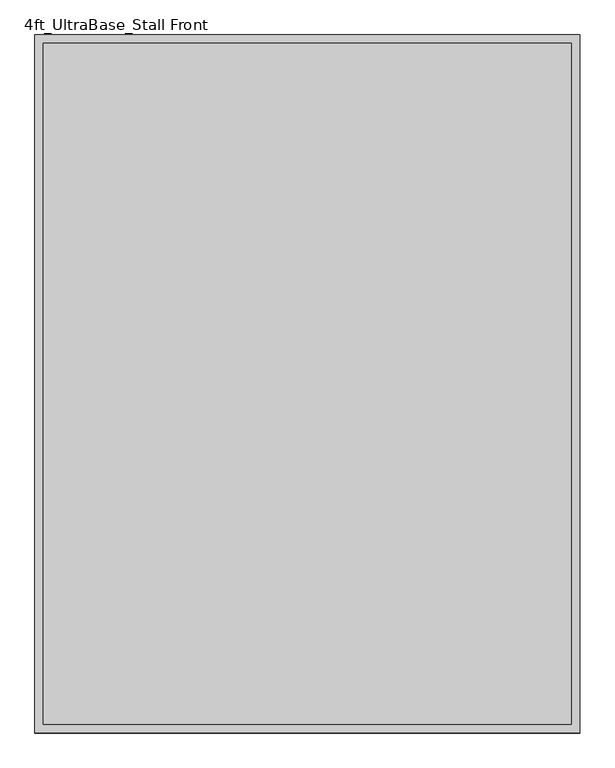
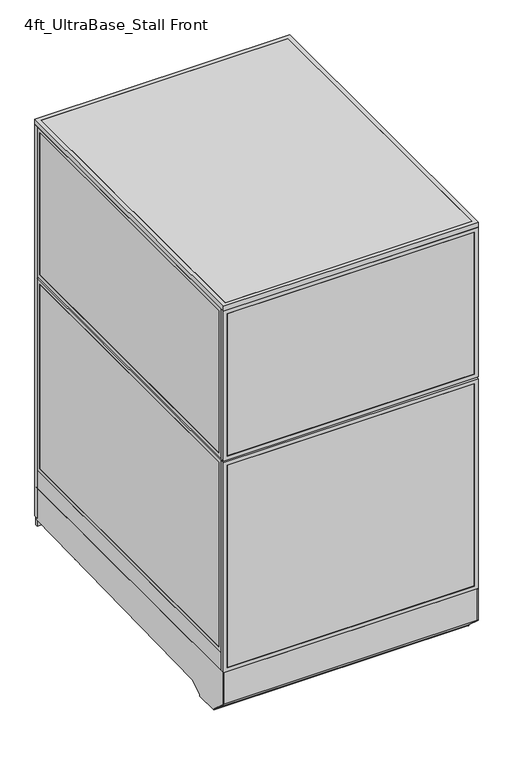
"""IFC4 building model written with IfcOpenShell, lengths in millimetres: proxy geometry, 4ft_UltraBase_Stall Front."""

import ifcopenshell
import ifcopenshell.guid

model = None  # the IFC model being written
_history = None  # IfcOwnerHistory: only IFC2X3 demands one
_inside = {}  # id of a spatial element -> (the spatial element, [elements in it])
_under = {}  # id of a project, library or spatial element -> (it, [spatial elements below it])
_declared = {}  # id of a project -> (the project, [libraries it declares])
_typed = {}  # id of a type object -> (the type object, [elements of that type])
_made_of = {}  # id of a material, layer set ... -> (it, [elements and type objects made of it])


def new_model(schema):
    """Start an empty IFC model of exactly this schema.

    Asked for "IFC4X3", IfcOpenShell would pick the latest addendum, in which some entities
    have other attributes; the version numbers below select the first issue.
    IFC2X3 requires an IfcOwnerHistory on every rooted entity: one is made here for all.
    """
    global model, _history
    if schema == "IFC4X3":
        model = ifcopenshell.file(schema_version=(4, 3, 0, 0))
    else:
        model = ifcopenshell.file(schema=schema)
    _inside.clear()
    _under.clear()
    _declared.clear()
    _typed.clear()
    _made_of.clear()
    _history = None
    if model.schema == "IFC2X3":
        org = make("IfcOrganization", Name="unknown")
        user = make(
            "IfcPersonAndOrganization",
            ThePerson=make("IfcPerson", FamilyName="unknown"),
            TheOrganization=org,
        )
        app = make(
            "IfcApplication",
            ApplicationDeveloper=org,
            Version="unknown",
            ApplicationFullName="unknown",
            ApplicationIdentifier="unknown",
        )
        _history = make(
            "IfcOwnerHistory",
            OwningUser=user,
            OwningApplication=app,
            ChangeAction="ADDED",
            CreationDate=0,
        )
    return model


def make(cls, **values):
    """One entity of the class cls with the attributes given. An attribute that is None is left unset."""
    return model.create_entity(
        cls, **{name: value for name, value in values.items() if value is not None}
    )


def rooted(cls, **values):
    """An entity with a GlobalId (a new one), such as an element, a storey or a relation."""
    return make(cls, GlobalId=ifcopenshell.guid.new(), OwnerHistory=_history, **values)


def si_unit(unit_type, name, prefix=None):
    """IfcSIUnit, for example si_unit("LENGTHUNIT", "METRE", prefix="MILLI")."""
    return make("IfcSIUnit", UnitType=unit_type, Prefix=prefix, Name=name)


def assignment(units):
    """IfcUnitAssignment: the units of a project."""
    return None if units is None else make("IfcUnitAssignment", Units=units)


def point(xyz):
    """IfcCartesianPoint."""
    return None if xyz is None else make("IfcCartesianPoint", Coordinates=xyz)


def direction(xyz):
    """IfcDirection."""
    return None if xyz is None else make("IfcDirection", DirectionRatios=xyz)


def frame(location, z_axis=None, x_axis=None):
    """IfcAxis2Placement3D, a coordinate frame: its origin and axes. An axis left out is left unset."""
    return make(
        "IfcAxis2Placement3D",
        Location=point(location),
        Axis=direction(z_axis),
        RefDirection=direction(x_axis),
    )


def frame_2d(location, x_axis=None):
    """IfcAxis2Placement2D, a coordinate frame in the plane: its origin and x axis."""
    return make(
        "IfcAxis2Placement2D", Location=point(location), RefDirection=direction(x_axis)
    )


def origin():
    """The frame at (0, 0, 0) with its axes left unset."""
    return frame((0.0, 0.0, 0.0))


def origin_with_axes():
    """The frame at (0, 0, 0) with the z axis (0, 0, 1) and the x axis (1, 0, 0) written out."""
    return frame((0.0, 0.0, 0.0), z_axis=(0.0, 0.0, 1.0), x_axis=(1.0, 0.0, 0.0))


def place(relative_to, where):
    """IfcLocalPlacement: puts the frame where relative to a parent placement (None: the world)."""
    return make(
        "IfcLocalPlacement", PlacementRelTo=relative_to, RelativePlacement=where
    )


def context(
    kind, dimensions, precision=None, world=None, true_north=None, identifier=None
):
    """IfcGeometricRepresentationContext, for example the 3D "Model" context."""
    return make(
        "IfcGeometricRepresentationContext",
        ContextIdentifier=identifier,
        ContextType=kind,
        CoordinateSpaceDimension=dimensions,
        Precision=precision,
        WorldCoordinateSystem=world,
        TrueNorth=true_north,
    )


def project(units=None, contexts=None):
    """IfcProject with its units and contexts."""
    return rooted(
        "IfcProject",
        Name="project",
        RepresentationContexts=contexts,
        UnitsInContext=assignment(units),
    )


def spatial(cls, under=None, at=None, **own):
    """A site, building, storey or space (cls), placed at a placement, below another one or the project."""
    s = rooted(cls, ObjectPlacement=at, **own)
    if under is not None:
        _under.setdefault(under.id(), (under, []))[1].append(s)
    return s


def polyline(points):
    """IfcPolyline through the points."""
    return make("IfcPolyline", Points=[point(p) for p in points])


def circle_curve(where, radius):
    """IfcCircle in the frame where."""
    return make("IfcCircle", Position=where, Radius=radius)


def trimmed(basis, trim1, trim2, sense, master):
    """IfcTrimmedCurve: the piece of a basis curve between two trims."""
    return make(
        "IfcTrimmedCurve",
        BasisCurve=basis,
        Trim1=trim1,
        Trim2=trim2,
        SenseAgreement=sense,
        MasterRepresentation=master,
    )


def segment(curve, same_sense, transition):
    """IfcCompositeCurveSegment."""
    return make(
        "IfcCompositeCurveSegment",
        Transition=transition,
        SameSense=same_sense,
        ParentCurve=curve,
    )


def composite_curve(segments, self_intersect=None):
    """IfcCompositeCurve: segments joined end to end."""
    return make("IfcCompositeCurve", Segments=segments, SelfIntersect=self_intersect)


def outline(outer, holes=None, kind="AREA"):
    """IfcArbitraryClosedProfileDef: a profile drawn as a closed curve; with holes, ...WithVoids."""
    if holes is None:
        return make("IfcArbitraryClosedProfileDef", ProfileType=kind, OuterCurve=outer)
    return make(
        "IfcArbitraryProfileDefWithVoids",
        ProfileType=kind,
        OuterCurve=outer,
        InnerCurves=holes,
    )


def extrude(swept, where, along, depth):
    """IfcExtrudedAreaSolid: the profile swept, set in the frame where, extruded along a direction by depth."""
    return make(
        "IfcExtrudedAreaSolid",
        SweptArea=swept,
        Position=where,
        ExtrudedDirection=direction(along),
        Depth=depth,
    )


def shape(context_of_items, identifier, shape_type, items):
    """IfcShapeRepresentation: the items that make up one representation, for example the "Body"."""
    return make(
        "IfcShapeRepresentation",
        ContextOfItems=context_of_items,
        RepresentationIdentifier=identifier,
        RepresentationType=shape_type,
        Items=items,
    )


def source(mapping_origin, context_of_items, identifier, shape_type, items):
    """IfcRepresentationMap: a shape defined once, which mapped items show again and again."""
    return make(
        "IfcRepresentationMap",
        MappingOrigin=mapping_origin,
        MappedRepresentation=shape(context_of_items, identifier, shape_type, items),
    )


def transform(
    local_origin,
    x_axis=None,
    y_axis=None,
    z_axis=None,
    scale=None,
    scale2=None,
    scale3=None,
    uniform=True,
):
    """IfcCartesianTransformationOperator3D, or its non-uniform kind. x_axis, y_axis, z_axis: its Axis1, 2, 3."""
    if uniform:
        return make(
            "IfcCartesianTransformationOperator3D",
            Axis1=direction(x_axis),
            Axis2=direction(y_axis),
            LocalOrigin=point(local_origin),
            Scale=scale,
            Axis3=direction(z_axis),
        )
    return make(
        "IfcCartesianTransformationOperator3DnonUniform",
        Axis1=direction(x_axis),
        Axis2=direction(y_axis),
        LocalOrigin=point(local_origin),
        Scale=scale,
        Axis3=direction(z_axis),
        Scale2=scale2,
        Scale3=scale3,
    )


def mapped(mapping_source, mapping_target):
    """IfcMappedItem: shows the shape of a source again, moved by a transform."""
    return make(
        "IfcMappedItem", MappingSource=mapping_source, MappingTarget=mapping_target
    )


def made_of(thing, what):
    """Note that an element or type object is made of a material, layer set ...; save() writes the relation."""
    if what is not None:
        _made_of.setdefault(what.id(), (what, []))[1].append(thing)
    return thing


def element(
    cls,
    number,
    at=None,
    inside=None,
    cuts=None,
    type_object=None,
    material=None,
    context=None,
    identifier="Body",
    shape_type=None,
    held_by="IfcProductDefinitionShape",
    body=None,
    shapes=None,
    **own,
):
    """One element of the class cls, such as IfcWall. Its Tag is "e" and its number.

    at: its placement. inside: the storey or other place that contains it. cuts: it is an
    opening in that element (IfcRelVoidsElement). A single representation is given by context,
    identifier, shape_type and body (its items); several are given by shapes. held_by: the class
    of the entity that holds the representations. save() writes the other relations.
    """
    e = rooted(cls, Tag="e%d" % number, ObjectPlacement=at, **own)
    if body is not None:
        shapes = [shape(context, identifier, shape_type, body)]
    if shapes is not None:
        e.Representation = make(held_by, Representations=shapes)
    if inside is not None:
        _inside.setdefault(inside.id(), (inside, []))[1].append(e)
    if cuts is not None:
        rooted(
            "IfcRelVoidsElement", RelatingBuildingElement=cuts, RelatedOpeningElement=e
        )
    if type_object is not None:
        _typed.setdefault(type_object.id(), (type_object, []))[1].append(e)
    return made_of(e, material)


def aggregate(whole, parts):
    """IfcRelAggregates: a whole, such as a stair, and the parts it consists of."""
    return rooted("IfcRelAggregates", RelatingObject=whole, RelatedObjects=parts)


def save(model, path):
    """Write the relations noted so far, then the file.

    IfcRelAggregates (storeys below a building ...), IfcRelContainedInSpatialStructure (elements
    in a storey), IfcRelDefinesByType, IfcRelAssociatesMaterial and IfcRelDeclares: one each for
    every whole, place, type object, material and project.
    """
    for whole, parts in _under.values():
        aggregate(whole, parts)
    for where, things in _inside.values():
        rooted(
            "IfcRelContainedInSpatialStructure",
            RelatedElements=things,
            RelatingStructure=where,
        )
    for kind, things in _typed.values():
        rooted("IfcRelDefinesByType", RelatedObjects=things, RelatingType=kind)
    for what, things in _made_of.values():
        rooted("IfcRelAssociatesMaterial", RelatedObjects=things, RelatingMaterial=what)
    for by, libraries in _declared.values():
        rooted("IfcRelDeclares", RelatingContext=by, RelatedDefinitions=libraries)
    model.write(path)


def proxy_4ft_ultrabase_stall_front_ba04d63e(model_context):
    return source(origin(), model_context, "Body", "SweptSolid", [
        extrude(outline(polyline([(1158.8810162, 1541.4625), (1158.8810162, 1525.5875), (365.1189838, 1525.5875), (365.1189838, 1541.4625), (1158.8810162, 1541.4625)])), frame((0.0, 0.0, 212.725), z_axis=(0.0, 0.0, 1.0), x_axis=(1.0, 0.0, 0.0)), (0.0, 0.0, 1.0), 1860.55),
        extrude(outline(polyline([(193.675, 1177.9310162), (2092.325, 1177.9310162), (2092.325, 346.0689838), (193.675, 346.0689838), (193.675, 1177.9310162)]), holes=[polyline([(2073.275, 365.1189838), (2073.275, 1158.8810162), (212.725, 1158.8810162), (212.725, 365.1189838), (2073.275, 365.1189838)])]), frame((0.0, 1524.0, 0.0), z_axis=(0.0, 1.0, 0.0), x_axis=(0.0, 0.0, 1.0)), (0.0, 0.0, 1.0), 19.05),
        extrude(outline(polyline([(152.4, 1219.2), (2133.6, 1219.2), (2133.6, 304.8), (152.4, 304.8), (152.4, 1219.2)]), holes=[polyline([(2114.55, 1200.15), (171.45, 1200.15), (171.45, 323.85), (2114.55, 323.85), (2114.55, 1200.15)])]), frame((0.0, 1524.0, 0.0), z_axis=(0.0, 1.0, 0.0), x_axis=(0.0, 0.0, 1.0)), (0.0, 0.0, 1.0), 19.05),
        extrude(outline(polyline([(285.75, 1541.4625), (285.75, 1525.5875), (19.05, 1525.5875), (19.05, 1541.4625), (285.75, 1541.4625)])), frame((0.0, 0.0, 171.45), z_axis=(0.0, 0.0, 1.0), x_axis=(1.0, 0.0, 0.0)), (0.0, 0.0, 1.0), 800.1),
        extrude(outline(polyline([(285.75, 1541.4625), (285.75, 1525.5875), (19.05, 1525.5875), (19.05, 1541.4625), (285.75, 1541.4625)])), frame((0.0, 0.0, 1009.65), z_axis=(0.0, 0.0, 1.0), x_axis=(1.0, 0.0, 0.0)), (0.0, 0.0, 1.0), 1104.9),
        extrude(outline(polyline([(2133.6, 0.0), (152.4, 0.0), (152.4, 304.8), (2133.6, 304.8), (2133.6, 0.0)]), holes=[polyline([(1009.65, 19.05), (2114.55, 19.05), (2114.55, 285.75), (1009.65, 285.75), (1009.65, 19.05)]), polyline([(971.55, 19.05), (971.55, 285.75), (171.45, 285.75), (171.45, 19.05), (971.55, 19.05)])]), frame((0.0, 1524.0, 0.0), z_axis=(0.0, 1.0, 0.0), x_axis=(0.0, 0.0, 1.0)), (0.0, 0.0, 1.0), 19.05),
        extrude(outline(composite_curve([segment(trimmed(circle_curve(frame_2d((1110.8236459, 1372.8018426)), 38.1), [point((1072.7236459, 1372.8018426))], [point((1148.9236459, 1372.8018426))], False, "CARTESIAN"), True, "CONTINUOUS"), segment(trimmed(circle_curve(frame_2d((1110.8236459, 1372.8018426)), 38.1), [point((1148.9236459, 1372.8018426))], [point((1072.7236459, 1372.8018426))], False, "CARTESIAN"), True, "CONTINUOUS")], self_intersect=False)), frame((0.0, 0.0, 130.9806848), z_axis=(0.0, 0.0, 1.0), x_axis=(1.0, 0.0, 0.0)), (0.0, 0.0, 1.0), 12.9784433),
        extrude(outline(composite_curve([segment(trimmed(circle_curve(frame_2d((1110.8236459, 1372.8018426)), 12.7), [point((1098.1236459, 1372.8018426))], [point((1123.5236459, 1372.8018426))], False, "CARTESIAN"), True, "CONTINUOUS"), segment(trimmed(circle_curve(frame_2d((1110.8236459, 1372.8018426)), 12.7), [point((1123.5236459, 1372.8018426))], [point((1098.1236459, 1372.8018426))], False, "CARTESIAN"), True, "CONTINUOUS")], self_intersect=False)), frame((0.0, 0.0, 6.35), z_axis=(0.0, 0.0, 1.0), x_axis=(1.0, 0.0, 0.0)), (0.0, 0.0, 1.0), 124.6306848),
        extrude(outline(composite_curve([segment(trimmed(circle_curve(frame_2d((1110.8236459, 1372.8018426)), 25.4), [point((1085.4236459, 1372.8018426))], [point((1136.2236459, 1372.8018426))], False, "CARTESIAN"), True, "CONTINUOUS"), segment(trimmed(circle_curve(frame_2d((1110.8236459, 1372.8018426)), 25.4), [point((1136.2236459, 1372.8018426))], [point((1085.4236459, 1372.8018426))], False, "CARTESIAN"), True, "CONTINUOUS")], self_intersect=False)), origin_with_axes(), (0.0, 0.0, 1.0), 6.35),
        extrude(outline(composite_curve([segment(trimmed(circle_curve(frame_2d((120.2236459, 1372.8018426)), 38.1), [point((82.1236459, 1372.8018426))], [point((158.3236459, 1372.8018426))], False, "CARTESIAN"), True, "CONTINUOUS"), segment(trimmed(circle_curve(frame_2d((120.2236459, 1372.8018426)), 38.1), [point((158.3236459, 1372.8018426))], [point((82.1236459, 1372.8018426))], False, "CARTESIAN"), True, "CONTINUOUS")], self_intersect=False)), frame((0.0, 0.0, 130.9806848), z_axis=(0.0, 0.0, 1.0), x_axis=(1.0, 0.0, 0.0)), (0.0, 0.0, 1.0), 12.9784433),
        extrude(outline(composite_curve([segment(trimmed(circle_curve(frame_2d((120.2236459, 1372.8018426)), 12.7), [point((107.5236459, 1372.8018426))], [point((132.9236459, 1372.8018426))], False, "CARTESIAN"), True, "CONTINUOUS"), segment(trimmed(circle_curve(frame_2d((120.2236459, 1372.8018426)), 12.7), [point((132.9236459, 1372.8018426))], [point((107.5236459, 1372.8018426))], False, "CARTESIAN"), True, "CONTINUOUS")], self_intersect=False)), frame((0.0, 0.0, 6.35), z_axis=(0.0, 0.0, 1.0), x_axis=(1.0, 0.0, 0.0)), (0.0, 0.0, 1.0), 124.6306848),
        extrude(outline(composite_curve([segment(trimmed(circle_curve(frame_2d((120.2236459, 1372.8018426)), 25.4), [point((94.8236459, 1372.8018426))], [point((145.6236459, 1372.8018426))], False, "CARTESIAN"), True, "CONTINUOUS"), segment(trimmed(circle_curve(frame_2d((120.2236459, 1372.8018426)), 25.4), [point((145.6236459, 1372.8018426))], [point((94.8236459, 1372.8018426))], False, "CARTESIAN"), True, "CONTINUOUS")], self_intersect=False)), origin_with_axes(), (0.0, 0.0, 1.0), 6.35),
        extrude(outline(composite_curve([segment(trimmed(circle_curve(frame_2d((120.2236459, 331.9496116)), 38.1), [point((82.1236459, 331.9496116))], [point((158.3236459, 331.9496116))], False, "CARTESIAN"), True, "CONTINUOUS"), segment(trimmed(circle_curve(frame_2d((120.2236459, 331.9496116)), 38.1), [point((158.3236459, 331.9496116))], [point((82.1236459, 331.9496116))], False, "CARTESIAN"), True, "CONTINUOUS")], self_intersect=False)), frame((0.0, 0.0, 103.9931848), z_axis=(0.0, 0.0, 1.0), x_axis=(1.0, 0.0, 0.0)), (0.0, 0.0, 1.0), 12.9784433),
        extrude(outline(composite_curve([segment(trimmed(circle_curve(frame_2d((120.2236459, 331.9496116)), 12.7), [point((107.5236459, 331.9496116))], [point((132.9236459, 331.9496116))], False, "CARTESIAN"), True, "CONTINUOUS"), segment(trimmed(circle_curve(frame_2d((120.2236459, 331.9496116)), 12.7), [point((132.9236459, 331.9496116))], [point((107.5236459, 331.9496116))], False, "CARTESIAN"), True, "CONTINUOUS")], self_intersect=False)), frame((0.0, 0.0, 6.35), z_axis=(0.0, 0.0, 1.0), x_axis=(1.0, 0.0, 0.0)), (0.0, 0.0, 1.0), 97.6431848),
        extrude(outline(composite_curve([segment(trimmed(circle_curve(frame_2d((120.2236459, 331.9496116)), 25.4), [point((94.8236459, 331.9496116))], [point((145.6236459, 331.9496116))], False, "CARTESIAN"), True, "CONTINUOUS"), segment(trimmed(circle_curve(frame_2d((120.2236459, 331.9496116)), 25.4), [point((145.6236459, 331.9496116))], [point((94.8236459, 331.9496116))], False, "CARTESIAN"), True, "CONTINUOUS")], self_intersect=False)), origin_with_axes(), (0.0, 0.0, 1.0), 6.35),
        extrude(outline(composite_curve([segment(trimmed(circle_curve(frame_2d((1110.8236459, 331.9496116)), 38.1), [point((1072.7236459, 331.9496116))], [point((1148.9236459, 331.9496116))], False, "CARTESIAN"), True, "CONTINUOUS"), segment(trimmed(circle_curve(frame_2d((1110.8236459, 331.9496116)), 38.1), [point((1148.9236459, 331.9496116))], [point((1072.7236459, 331.9496116))], False, "CARTESIAN"), True, "CONTINUOUS")], self_intersect=False)), frame((0.0, 0.0, 103.9931848), z_axis=(0.0, 0.0, 1.0), x_axis=(1.0, 0.0, 0.0)), (0.0, 0.0, 1.0), 12.9784433),
        extrude(outline(composite_curve([segment(trimmed(circle_curve(frame_2d((1110.8236459, 331.9496116)), 12.7), [point((1098.1236459, 331.9496116))], [point((1123.5236459, 331.9496116))], False, "CARTESIAN"), True, "CONTINUOUS"), segment(trimmed(circle_curve(frame_2d((1110.8236459, 331.9496116)), 12.7), [point((1123.5236459, 331.9496116))], [point((1098.1236459, 331.9496116))], False, "CARTESIAN"), True, "CONTINUOUS")], self_intersect=False)), frame((0.0, 0.0, 6.35), z_axis=(0.0, 0.0, 1.0), x_axis=(1.0, 0.0, 0.0)), (0.0, 0.0, 1.0), 97.6431848),
        extrude(outline(composite_curve([segment(trimmed(circle_curve(frame_2d((1110.8236459, 331.9496116)), 25.4), [point((1085.4236459, 331.9496116))], [point((1136.2236459, 331.9496116))], False, "CARTESIAN"), True, "CONTINUOUS"), segment(trimmed(circle_curve(frame_2d((1110.8236459, 331.9496116)), 25.4), [point((1136.2236459, 331.9496116))], [point((1085.4236459, 331.9496116))], False, "CARTESIAN"), True, "CONTINUOUS")], self_intersect=False)), origin_with_axes(), (0.0, 0.0, 1.0), 6.35),
        extrude(outline(polyline([(-19.05, 304.8), (1530.35, 304.8), (1530.35, 143.3232444), (238.733612, 113.4956461), (175.3928625, 76.9258473), (175.3928625, 69.0977369), (59.8970382, 69.0977369), (59.8970382, 73.3553835), (-19.05, 144.439616), (-19.05, 304.8)])), frame((0.0, 0.0, 0.0), z_axis=(1.0, 0.0, 0.0), x_axis=(0.0, 1.0, 0.0)), (0.0, 0.0, 1.0), 3.175),
        extrude(outline(polyline([(-19.05, 304.8), (1530.35, 304.8), (1530.35, 143.3232444), (238.733612, 113.4956461), (175.3928625, 76.9258473), (175.3928625, 69.0977369), (59.8970382, 69.0977369), (59.8970382, 73.3553835), (-19.05, 144.439616), (-19.05, 304.8)])), frame((1216.025, 0.0, 0.0), z_axis=(1.0, 0.0, 0.0), x_axis=(0.0, 1.0, 0.0)), (0.0, 0.0, 1.0), 3.175),
        extrude(outline(polyline([(1530.35, 104.78262), (1530.35, 144.8342358), (238.733612, 113.4956461), (175.3928625, 76.9258473), (175.3928625, 69.0977369), (59.8970382, 69.0977369), (59.8970382, 73.3553835), (-19.05, 144.439616), (-19.05, 304.8), (-10.9434074, 304.8), (-10.9434074, 236.4996867), (-5.6766373, 236.4996867), (-2.6025146, 148.4683295), (68.18203, 84.7336392), (68.18203, 79.4164869), (167.804636, 79.4164869), (167.804636, 86.088281), (237.0845322, 126.0870477), (1543.05, 157.8890047), (1543.05, 104.78262), (1530.35, 104.78262)])), frame((3.175, 0.0, 0.0), z_axis=(1.0, 0.0, 0.0), x_axis=(0.0, 1.0, 0.0)), (0.0, 0.0, 1.0), 1212.85),
        extrude(outline(polyline([(1366.8375, 1219.2), (1366.8375, 0.0), (304.8, 0.0), (304.8, 1219.2), (1366.8375, 1219.2)]), holes=[polyline([(323.85, 1200.15), (323.85, 19.05), (1347.7875, 19.05), (1347.7875, 1200.15), (323.85, 1200.15)])]), frame((0.0, -19.05, 0.0), z_axis=(0.0, 1.0, 0.0), x_axis=(0.0, 0.0, 1.0)), (0.0, 0.0, 1.0), 19.05),
        extrude(outline(polyline([(1376.3625, 1219.2), (2133.6, 1219.2), (2133.6, 0.0), (1376.3625, 0.0), (1376.3625, 1219.2)]), holes=[polyline([(2114.55, 1200.15), (1395.4125, 1200.15), (1395.4125, 19.05), (2114.55, 19.05), (2114.55, 1200.15)])]), frame((0.0, -19.05, 0.0), z_axis=(0.0, 1.0, 0.0), x_axis=(0.0, 0.0, 1.0)), (0.0, 0.0, 1.0), 19.05),
        extrude(outline(polyline([(1200.15, -17.4625), (19.05, -17.4625), (19.05, -1.5875), (1200.15, -1.5875), (1200.15, -17.4625)])), frame((0.0, 0.0, 323.85), z_axis=(0.0, 0.0, 1.0), x_axis=(1.0, 0.0, 0.0)), (0.0, 0.0, 1.0), 1023.9375),
        extrude(outline(polyline([(1200.15, -17.4625), (19.05, -17.4625), (19.05, -1.5875), (1200.15, -1.5875), (1200.15, -17.4625)])), frame((0.0, 0.0, 1395.4125), z_axis=(0.0, 0.0, 1.0), x_axis=(1.0, 0.0, 0.0)), (0.0, 0.0, 1.0), 719.1375),
        extrude(outline(polyline([(1200.15, 0.0), (1200.15, 1524.0), (1219.2, 1524.0), (1219.2, 0.0), (1200.15, 0.0)])), frame((0.0, 0.0, 304.8), z_axis=(0.0, 0.0, 1.0), x_axis=(1.0, 0.0, 0.0)), (0.0, 0.0, 1.0), 88.9),
        extrude(outline(polyline([(1524.0, 393.7), (0.0, 393.7), (0.0, 1366.8375), (1524.0, 1366.8375), (1524.0, 393.7)]), holes=[polyline([(1504.95, 1347.7875), (19.05, 1347.7875), (19.05, 412.75), (1504.95, 412.75), (1504.95, 1347.7875)])]), frame((1200.15, 0.0, 0.0), z_axis=(1.0, 0.0, 0.0), x_axis=(0.0, 1.0, 0.0)), (0.0, 0.0, 1.0), 19.05),
        extrude(outline(polyline([(0.0, 1376.3625), (0.0, 2133.6), (1524.0, 2133.6), (1524.0, 1376.3625), (0.0, 1376.3625)]), holes=[polyline([(19.05, 2114.55), (19.05, 1395.4125), (1504.95, 1395.4125), (1504.95, 2114.55), (19.05, 2114.55)])]), frame((1200.15, 0.0, 0.0), z_axis=(1.0, 0.0, 0.0), x_axis=(0.0, 1.0, 0.0)), (0.0, 0.0, 1.0), 19.05),
        extrude(outline(polyline([(1201.7375, 19.05), (1201.7375, 1504.95), (1217.6125, 1504.95), (1217.6125, 19.05), (1201.7375, 19.05)])), frame((0.0, 0.0, 412.75), z_axis=(0.0, 0.0, 1.0), x_axis=(1.0, 0.0, 0.0)), (0.0, 0.0, 1.0), 935.0375),
        extrude(outline(polyline([(1201.7375, 19.05), (1201.7375, 1504.95), (1217.6125, 1504.95), (1217.6125, 19.05), (1201.7375, 19.05)])), frame((0.0, 0.0, 1395.4125), z_axis=(0.0, 0.0, 1.0), x_axis=(1.0, 0.0, 0.0)), (0.0, 0.0, 1.0), 719.1375),
        extrude(outline(polyline([(0.0, 0.0), (0.0, 1524.0), (19.05, 1524.0), (19.05, 0.0), (0.0, 0.0)])), frame((0.0, 0.0, 304.8), z_axis=(0.0, 0.0, 1.0), x_axis=(1.0, 0.0, 0.0)), (0.0, 0.0, 1.0), 88.9),
        extrude(outline(polyline([(1524.0, 393.7), (0.0, 393.7), (0.0, 1366.8375), (1524.0, 1366.8375), (1524.0, 393.7)]), holes=[polyline([(1504.95, 1347.7875), (19.05, 1347.7875), (19.05, 412.75), (1504.95, 412.75), (1504.95, 1347.7875)])]), frame((0.0, 0.0, 0.0), z_axis=(1.0, 0.0, 0.0), x_axis=(0.0, 1.0, 0.0)), (0.0, 0.0, 1.0), 19.05),
        extrude(outline(polyline([(0.0, 1376.3625), (0.0, 2133.6), (1524.0, 2133.6), (1524.0, 1376.3625), (0.0, 1376.3625)]), holes=[polyline([(19.05, 2114.55), (19.05, 1395.4125), (1504.95, 1395.4125), (1504.95, 2114.55), (19.05, 2114.55)])]), frame((0.0, 0.0, 0.0), z_axis=(1.0, 0.0, 0.0), x_axis=(0.0, 1.0, 0.0)), (0.0, 0.0, 1.0), 19.05),
        extrude(outline(polyline([(1.5875, 19.05), (1.5875, 1504.95), (17.4625, 1504.95), (17.4625, 19.05), (1.5875, 19.05)])), frame((0.0, 0.0, 412.75), z_axis=(0.0, 0.0, 1.0), x_axis=(1.0, 0.0, 0.0)), (0.0, 0.0, 1.0), 935.0375),
        extrude(outline(polyline([(1.5875, 19.05), (1.5875, 1504.95), (17.4625, 1504.95), (17.4625, 19.05), (1.5875, 19.05)])), frame((0.0, 0.0, 1395.4125), z_axis=(0.0, 0.0, 1.0), x_axis=(1.0, 0.0, 0.0)), (0.0, 0.0, 1.0), 719.1375),
        extrude(outline(polyline([(1187.45, 622.3), (1187.45, 609.6), (31.75, 609.6), (31.75, 622.3), (1187.45, 622.3)])), frame((0.0, 0.0, 152.4), z_axis=(0.0, 0.0, 1.0), x_axis=(1.0, 0.0, 0.0)), (0.0, 0.0, 1.0), 152.4),
        extrude(outline(polyline([(1187.45, 622.3), (1187.45, 12.7), (31.75, 12.7), (31.75, 622.3), (1187.45, 622.3)])), frame((0.0, 0.0, 304.8), z_axis=(0.0, 0.0, 1.0), x_axis=(1.0, 0.0, 0.0)), (0.0, 0.0, 1.0), 12.7),
        extrude(outline(polyline([(1219.2, 1543.05), (1219.2, -19.05), (0.0, -19.05), (0.0, 1543.05), (1219.2, 1543.05)]), holes=[polyline([(1200.15, 1524.0), (19.05, 1524.0), (19.05, 0.0), (1200.15, 0.0), (1200.15, 1524.0)])]), frame((0.0, 0.0, 2133.6), z_axis=(0.0, 0.0, 1.0), x_axis=(1.0, 0.0, 0.0)), (0.0, 0.0, 1.0), 25.4),
        extrude(outline(polyline([(19.05, 1524.0), (1200.15, 1524.0), (1200.15, 0.0), (19.05, 0.0), (19.05, 1524.0)])), frame((0.0, 0.0, 2133.6), z_axis=(0.0, 0.0, 1.0), x_axis=(1.0, 0.0, 0.0)), (0.0, 0.0, 1.0), 25.4),
    ])


if __name__ == "__main__":
    model = new_model("IFC4")
    model_context = context("Model", 3, world=origin())
    ifc_project = project(units=[si_unit("LENGTHUNIT", "METRE", prefix="MILLI")], contexts=[model_context])
    site = spatial("IfcSite", under=ifc_project)
    building = spatial("IfcBuilding", under=site)
    placement = place(None, origin())
    proxy_4ft_ultrabase_stall_front_shape = proxy_4ft_ultrabase_stall_front_ba04d63e(model_context)
    element("IfcBuildingElementProxy", 1, Name="4ft_UltraBase_Stall Front", ObjectType="4ft_UltraBase_Stall Front", at=placement, inside=building, context=model_context, shape_type="MappedRepresentation", body=[
        mapped(proxy_4ft_ultrabase_stall_front_shape, transform((0.0, 0.0, 0.0), x_axis=(1.0, 0.0, 0.0), y_axis=(0.0, 1.0, 0.0), z_axis=(0.0, 0.0, 1.0))),
    ])
    save(model, "model.ifc")
